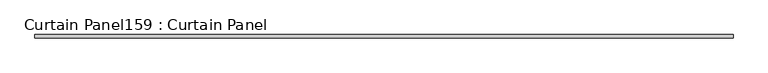
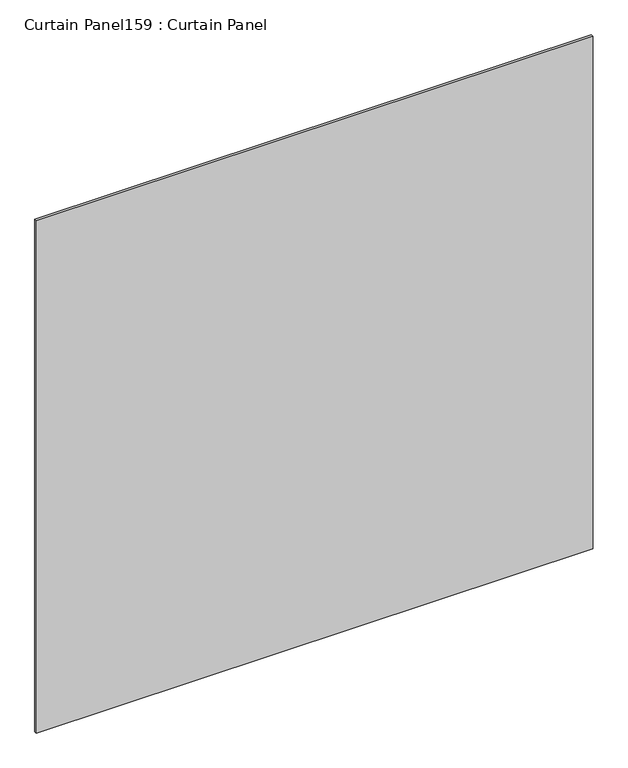
"""IFC4 building model written with IfcOpenShell, lengths in millimetres: plate geometry, Curtain Panel159 : Curtain Panel."""

from ifc_helpers import new_model, si_unit, frame, origin, place, context, project, spatial, polyline, outline, extrude, source, transform, mapped, element, save


def curtain_panel159_curtain_panel_c3c259e0(model_context):
    return source(origin(), model_context, "Body", "SweptSolid", [
        extrude(outline(polyline([(439225.3227436, 2292.6839321), (433830.7898115, 2292.6839321), (433830.7898115, 2318.0839321), (439225.3227436, 2318.0839321), (439225.3227436, 2292.6839321)])), frame((0.0, 0.0, 15493.7629337), z_axis=(0.0, 0.0, 1.0), x_axis=(1.0, 0.0, 0.0)), (0.0, 0.0, 1.0), 5245.0156326),
    ])


if __name__ == "__main__":
    model = new_model("IFC4")
    model_context = context("Model", 3, world=origin())
    ifc_project = project(units=[si_unit("LENGTHUNIT", "METRE", prefix="MILLI")], contexts=[model_context])
    site = spatial("IfcSite", under=ifc_project)
    building = spatial("IfcBuilding", under=site)
    placement = place(None, origin())
    curtain_panel159_curtain_panel_shape = curtain_panel159_curtain_panel_c3c259e0(model_context)
    element("IfcPlate", 1, ObjectType="Curtain Panel159 : Curtain Panel", at=placement, inside=building, context=model_context, shape_type="MappedRepresentation", body=[
        mapped(curtain_panel159_curtain_panel_shape, transform((0.0, 0.0, 0.0), x_axis=(1.0, 0.0, 0.0), y_axis=(0.0, 1.0, 0.0), z_axis=(0.0, 0.0, 1.0))),
    ])
    save(model, "model.ifc")
